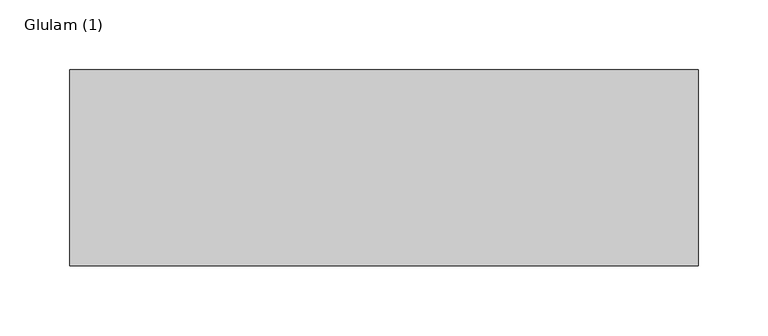
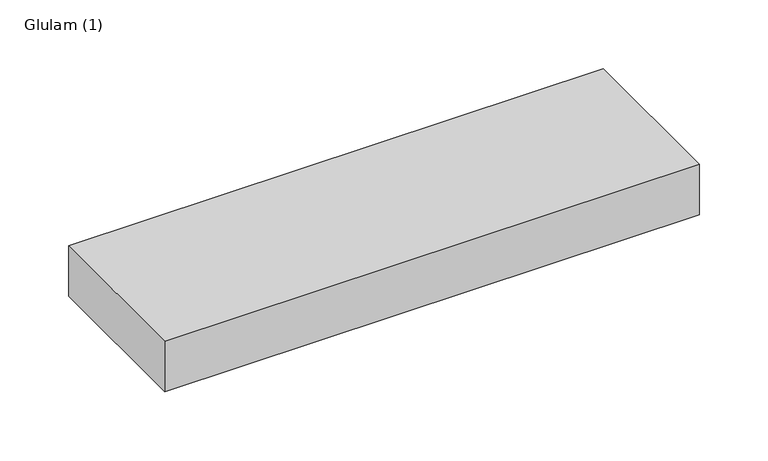
"""IFC4 building model written with IfcOpenShell, lengths in millimetres: beam geometry, Glulam (1)."""

import ifcopenshell
import ifcopenshell.guid

model = None  # the IFC model being written
_history = None  # IfcOwnerHistory: only IFC2X3 demands one
_inside = {}  # id of a spatial element -> (the spatial element, [elements in it])
_under = {}  # id of a project, library or spatial element -> (it, [spatial elements below it])
_declared = {}  # id of a project -> (the project, [libraries it declares])
_typed = {}  # id of a type object -> (the type object, [elements of that type])
_made_of = {}  # id of a material, layer set ... -> (it, [elements and type objects made of it])


def new_model(schema):
    """Start an empty IFC model of exactly this schema.

    Asked for "IFC4X3", IfcOpenShell would pick the latest addendum, in which some entities
    have other attributes; the version numbers below select the first issue.
    IFC2X3 requires an IfcOwnerHistory on every rooted entity: one is made here for all.
    """
    global model, _history
    if schema == "IFC4X3":
        model = ifcopenshell.file(schema_version=(4, 3, 0, 0))
    else:
        model = ifcopenshell.file(schema=schema)
    _inside.clear()
    _under.clear()
    _declared.clear()
    _typed.clear()
    _made_of.clear()
    _history = None
    if model.schema == "IFC2X3":
        org = make("IfcOrganization", Name="unknown")
        user = make(
            "IfcPersonAndOrganization",
            ThePerson=make("IfcPerson", FamilyName="unknown"),
            TheOrganization=org,
        )
        app = make(
            "IfcApplication",
            ApplicationDeveloper=org,
            Version="unknown",
            ApplicationFullName="unknown",
            ApplicationIdentifier="unknown",
        )
        _history = make(
            "IfcOwnerHistory",
            OwningUser=user,
            OwningApplication=app,
            ChangeAction="ADDED",
            CreationDate=0,
        )
    return model


def make(cls, **values):
    """One entity of the class cls with the attributes given. An attribute that is None is left unset."""
    return model.create_entity(
        cls, **{name: value for name, value in values.items() if value is not None}
    )


def rooted(cls, **values):
    """An entity with a GlobalId (a new one), such as an element, a storey or a relation."""
    return make(cls, GlobalId=ifcopenshell.guid.new(), OwnerHistory=_history, **values)


def si_unit(unit_type, name, prefix=None):
    """IfcSIUnit, for example si_unit("LENGTHUNIT", "METRE", prefix="MILLI")."""
    return make("IfcSIUnit", UnitType=unit_type, Prefix=prefix, Name=name)


def assignment(units):
    """IfcUnitAssignment: the units of a project."""
    return None if units is None else make("IfcUnitAssignment", Units=units)


def point(xyz):
    """IfcCartesianPoint."""
    return None if xyz is None else make("IfcCartesianPoint", Coordinates=xyz)


def direction(xyz):
    """IfcDirection."""
    return None if xyz is None else make("IfcDirection", DirectionRatios=xyz)


def frame(location, z_axis=None, x_axis=None):
    """IfcAxis2Placement3D, a coordinate frame: its origin and axes. An axis left out is left unset."""
    return make(
        "IfcAxis2Placement3D",
        Location=point(location),
        Axis=direction(z_axis),
        RefDirection=direction(x_axis),
    )


def origin():
    """The frame at (0, 0, 0) with its axes left unset."""
    return frame((0.0, 0.0, 0.0))


def place(relative_to, where):
    """IfcLocalPlacement: puts the frame where relative to a parent placement (None: the world)."""
    return make(
        "IfcLocalPlacement", PlacementRelTo=relative_to, RelativePlacement=where
    )


def context(
    kind, dimensions, precision=None, world=None, true_north=None, identifier=None
):
    """IfcGeometricRepresentationContext, for example the 3D "Model" context."""
    return make(
        "IfcGeometricRepresentationContext",
        ContextIdentifier=identifier,
        ContextType=kind,
        CoordinateSpaceDimension=dimensions,
        Precision=precision,
        WorldCoordinateSystem=world,
        TrueNorth=true_north,
    )


def project(units=None, contexts=None):
    """IfcProject with its units and contexts."""
    return rooted(
        "IfcProject",
        Name="project",
        RepresentationContexts=contexts,
        UnitsInContext=assignment(units),
    )


def spatial(cls, under=None, at=None, **own):
    """A site, building, storey or space (cls), placed at a placement, below another one or the project."""
    s = rooted(cls, ObjectPlacement=at, **own)
    if under is not None:
        _under.setdefault(under.id(), (under, []))[1].append(s)
    return s


def polyline(points):
    """IfcPolyline through the points."""
    return make("IfcPolyline", Points=[point(p) for p in points])


def outline(outer, holes=None, kind="AREA"):
    """IfcArbitraryClosedProfileDef: a profile drawn as a closed curve; with holes, ...WithVoids."""
    if holes is None:
        return make("IfcArbitraryClosedProfileDef", ProfileType=kind, OuterCurve=outer)
    return make(
        "IfcArbitraryProfileDefWithVoids",
        ProfileType=kind,
        OuterCurve=outer,
        InnerCurves=holes,
    )


def extrude(swept, where, along, depth):
    """IfcExtrudedAreaSolid: the profile swept, set in the frame where, extruded along a direction by depth."""
    return make(
        "IfcExtrudedAreaSolid",
        SweptArea=swept,
        Position=where,
        ExtrudedDirection=direction(along),
        Depth=depth,
    )


def shape(context_of_items, identifier, shape_type, items):
    """IfcShapeRepresentation: the items that make up one representation, for example the "Body"."""
    return make(
        "IfcShapeRepresentation",
        ContextOfItems=context_of_items,
        RepresentationIdentifier=identifier,
        RepresentationType=shape_type,
        Items=items,
    )


def source(mapping_origin, context_of_items, identifier, shape_type, items):
    """IfcRepresentationMap: a shape defined once, which mapped items show again and again."""
    return make(
        "IfcRepresentationMap",
        MappingOrigin=mapping_origin,
        MappedRepresentation=shape(context_of_items, identifier, shape_type, items),
    )


def transform(
    local_origin,
    x_axis=None,
    y_axis=None,
    z_axis=None,
    scale=None,
    scale2=None,
    scale3=None,
    uniform=True,
):
    """IfcCartesianTransformationOperator3D, or its non-uniform kind. x_axis, y_axis, z_axis: its Axis1, 2, 3."""
    if uniform:
        return make(
            "IfcCartesianTransformationOperator3D",
            Axis1=direction(x_axis),
            Axis2=direction(y_axis),
            LocalOrigin=point(local_origin),
            Scale=scale,
            Axis3=direction(z_axis),
        )
    return make(
        "IfcCartesianTransformationOperator3DnonUniform",
        Axis1=direction(x_axis),
        Axis2=direction(y_axis),
        LocalOrigin=point(local_origin),
        Scale=scale,
        Axis3=direction(z_axis),
        Scale2=scale2,
        Scale3=scale3,
    )


def mapped(mapping_source, mapping_target):
    """IfcMappedItem: shows the shape of a source again, moved by a transform."""
    return make(
        "IfcMappedItem", MappingSource=mapping_source, MappingTarget=mapping_target
    )


def made_of(thing, what):
    """Note that an element or type object is made of a material, layer set ...; save() writes the relation."""
    if what is not None:
        _made_of.setdefault(what.id(), (what, []))[1].append(thing)
    return thing


def element(
    cls,
    number,
    at=None,
    inside=None,
    cuts=None,
    type_object=None,
    material=None,
    context=None,
    identifier="Body",
    shape_type=None,
    held_by="IfcProductDefinitionShape",
    body=None,
    shapes=None,
    **own,
):
    """One element of the class cls, such as IfcWall. Its Tag is "e" and its number.

    at: its placement. inside: the storey or other place that contains it. cuts: it is an
    opening in that element (IfcRelVoidsElement). A single representation is given by context,
    identifier, shape_type and body (its items); several are given by shapes. held_by: the class
    of the entity that holds the representations. save() writes the other relations.
    """
    e = rooted(cls, Tag="e%d" % number, ObjectPlacement=at, **own)
    if body is not None:
        shapes = [shape(context, identifier, shape_type, body)]
    if shapes is not None:
        e.Representation = make(held_by, Representations=shapes)
    if inside is not None:
        _inside.setdefault(inside.id(), (inside, []))[1].append(e)
    if cuts is not None:
        rooted(
            "IfcRelVoidsElement", RelatingBuildingElement=cuts, RelatedOpeningElement=e
        )
    if type_object is not None:
        _typed.setdefault(type_object.id(), (type_object, []))[1].append(e)
    return made_of(e, material)


def aggregate(whole, parts):
    """IfcRelAggregates: a whole, such as a stair, and the parts it consists of."""
    return rooted("IfcRelAggregates", RelatingObject=whole, RelatedObjects=parts)


def save(model, path):
    """Write the relations noted so far, then the file.

    IfcRelAggregates (storeys below a building ...), IfcRelContainedInSpatialStructure (elements
    in a storey), IfcRelDefinesByType, IfcRelAssociatesMaterial and IfcRelDeclares: one each for
    every whole, place, type object, material and project.
    """
    for whole, parts in _under.values():
        aggregate(whole, parts)
    for where, things in _inside.values():
        rooted(
            "IfcRelContainedInSpatialStructure",
            RelatedElements=things,
            RelatingStructure=where,
        )
    for kind, things in _typed.values():
        rooted("IfcRelDefinesByType", RelatedObjects=things, RelatingType=kind)
    for what, things in _made_of.values():
        rooted("IfcRelAssociatesMaterial", RelatedObjects=things, RelatingMaterial=what)
    for by, libraries in _declared.values():
        rooted("IfcRelDeclares", RelatingContext=by, RelatedDefinitions=libraries)
    model.write(path)


def glulam_1_3051bb0b(model_context):
    return source(origin(), model_context, "Body", "SweptSolid", [
        extrude(outline(polyline([(212.0, 70.0), (212.0, -70.0), (-237.0, -70.0), (-237.0, 70.0), (212.0, 70.0)])), frame((0.0, 0.0, -22.5), z_axis=(0.0, 0.0, 1.0), x_axis=(1.0, 0.0, 0.0)), (0.0, 0.0, 1.0), 45.0),
    ])


if __name__ == "__main__":
    model = new_model("IFC4")
    model_context = context("Model", 3, world=origin())
    ifc_project = project(units=[si_unit("LENGTHUNIT", "METRE", prefix="MILLI")], contexts=[model_context])
    site = spatial("IfcSite", under=ifc_project)
    building = spatial("IfcBuilding", under=site)
    placement = place(None, origin())
    glulam_1_shape = glulam_1_3051bb0b(model_context)
    element("IfcBeam", 1, ObjectType="Glulam (1)", at=placement, inside=building, context=model_context, shape_type="MappedRepresentation", body=[
        mapped(glulam_1_shape, transform((0.0, 0.0, 0.0), x_axis=(1.0, 0.0, 0.0), y_axis=(0.0, 1.0, 0.0), z_axis=(0.0, 0.0, 1.0))),
    ])
    save(model, "model.ifc")
